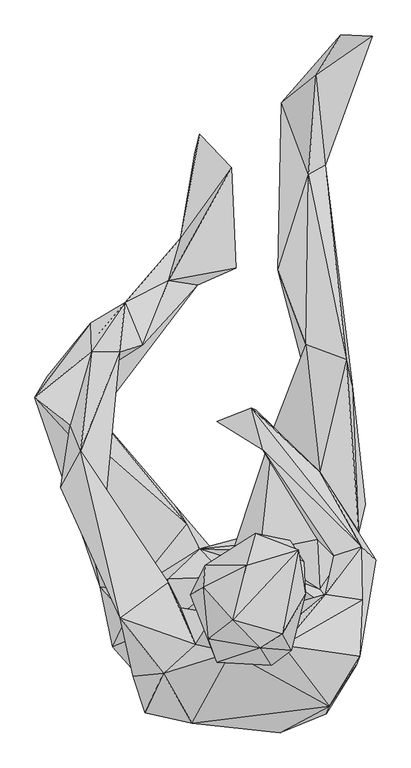
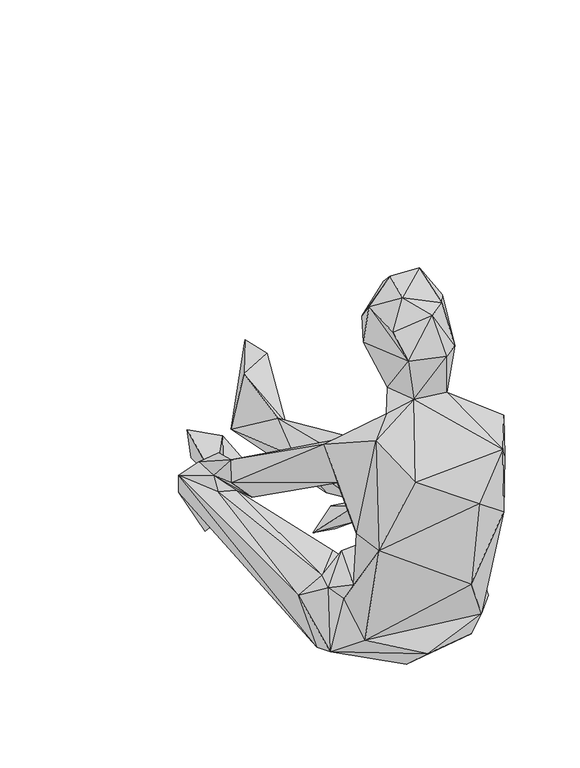
"""IFC4 building model written with IfcOpenShell, lengths in millimetres: geographic element geometry."""

from ifc_helpers import new_model, si_unit, origin, place, context, project, spatial, faceted_brep, source, transform, mapped, element, save


def geographic_element_869bbaf2(model_context):
    return source(origin(), model_context, "Body", "Brep", [
        faceted_brep([(-154.6437125, -409.3822786, 114.1797514), (55.265575, -485.894823, 228.0481877), (-151.2773763, -461.482698, 370.2856555), (-161.8588398, -334.8176438, 175.8356371), (-170.8817461, -401.0980974, 384.149338), (-142.3265469, -340.9436601, 208.4057901), (-121.255739, -396.8678962, 598.4549448), (69.4285623, -493.7475859, 431.2358445), (-74.1772493, -478.4514845, 526.2276465), (-204.8963432, -352.9875831, 68.1773267), (-180.6984372, -302.9741905, 190.6772977), (-195.8724236, -282.7432121, 33.5631441), (-45.1075429, -391.5626656, 4.7136549), (-16.8736612, -431.2358445, 44.9213604), (-224.8310121, -254.5443742, 157.7047388), (-113.9965714, -241.5455103, 224.292499), (-172.0629164, -261.4051369, 193.9064836), (-274.1247084, -8.4453401, 287.3227263), (-332.2921354, 55.4307394, 311.4635608), (-83.5545127, -151.7148148, 159.626631), (-235.882935, -18.2540265, 283.7081516), (-61.8350647, -192.3389262, 145.3275067), (-17.9297046, -238.7767852, 227.1042587), (-48.3537459, -297.4337303, 358.7532893), (55.0023162, -292.7931511, 340.9146624), (135.5068071, -325.6015141, 174.824638), (71.6777808, -234.4835521, 240.7407433), (-13.6154441, -302.4606667, 553.514593), (-92.8466905, -289.0524232, 447.926337), (-192.2338283, -305.5707477, 559.1141512), (-177.7285166, -335.2190215, 475.2733351), (-113.7593374, -247.7666556, 511.5481552), (-69.0301723, -348.8044398, 619.698934), (-254.2851238, -114.7973598, 331.1520178), (-289.9723315, -91.5714267, 365.9984424), (-256.8326263, -31.9675687, 376.548822), (-215.7540593, -103.1338411, 351.3709859), (-46.4508714, -314.1742608, 656.7885795), (-10.9277906, -362.1336177, 643.3722893), (-33.562142, -379.0352894, 757.26079), (-43.1315894, -268.445101, 715.3744013), (-76.7317703, -268.1718137, 753.1236913), (-5.2832173, -218.2905647, 656.7324915), (105.1348211, -265.9436133, 662.6203574), (76.2352859, -321.6826876, 549.6587685), (-52.8081463, -219.8090526, 782.8850649), (-56.0013012, -254.549381, 828.2859819), (29.2048395, -166.9728735, 808.8006873), (14.5293472, -219.6488949, 858.8541044), (76.579622, -192.9925954, 637.7608101), (85.6766094, -178.9196857, 702.1803769), (111.861466, -267.5782409, 806.8907757), (109.127766, -214.1254369, 756.4710285), (99.9457004, -194.4450265, 835.1547019), (-7.3412493, -309.1953359, 866.6198147), (74.1101792, -331.621464, 838.609089), (78.5145303, -320.3973731, 698.5988531), (88.7426276, -359.0345338, 741.3570789), (74.6437078, -350.9755985, 625.1463217), (37.9694956, -354.7193066, 834.6562282), (56.0183183, -383.5878027, 742.2880439), (-47.549955, -339.8035425, 811.784615), (151.0671806, -450.3907506, 513.6061843), (200.8022939, -369.0584554, 532.8171187), (194.9785328, -383.7199164, 442.1015625), (146.0352075, -463.3375349, 365.6921342), (123.9714235, -409.3742618, 82.738704), (176.9217082, -365.744169, 407.3012123), (227.1252842, -210.5479214, 206.7451601), (144.6138006, -267.0397129, 468.8880088), (157.9049359, -204.148588, 254.529324), (202.835304, -188.9215684, 261.1528901), (135.4057027, -66.177345, 172.9497888), (131.5018667, -177.3831673, 183.0918021), (41.4349171, -30.2658878, 154.4905584), (204.7491942, -276.3628926, 472.6117195), (22.9947061, 38.4279485, 119.9694708), (59.950202, 6.4003201, 86.164086), (-33.9144911, 16.0688681, 85.2872197), (30.1808041, 34.9745374, 60.7610002), (38.0575838, -196.0345929, 170.1530346), (112.4960841, 142.3195434, 149.091227), (-3.8508027, -186.4491082, 103.733434), (13.7405683, -171.9397881, 34.9905524), (112.5111044, 90.0669385, 71.3474518), (134.8191334, -258.7655155, 181.1398692), (110.7343496, -125.5649909, 9.5834638), (3.4614182, -246.0699945, 17.8526284), (-100.7224607, -123.7562134, 104.443139), (-108.0416875, -224.1333248, 7.3832911), (-263.1098298, 23.2459546, 185.323996), (-228.3074679, 25.2008863, 211.4638213), (-65.3134949, 240.1291251, 69.2163548), (-214.4167397, 103.6653729, 244.9869334), (-261.8906168, 67.978128, 137.4537332), (-312.1052048, 90.037911, 239.8478508), (-241.1301106, 177.5242962, 182.5412489), (-228.5496862, 159.6886943, 132.2876348), (-239.2872989, 130.8712347, 266.1618557), (-184.1118015, 211.1995641, 169.2271063), (-274.1247084, 10.4453143, 317.8478738), (-193.2148015, 130.3677394, 274.2598321), (-155.4394941, 141.3435769, 212.5338886), (-113.1847636, 247.7576702, 121.9123885), (-92.9798174, 317.2853252, 52.9773154), (-2.0490233, 267.7964535, 42.5610314), (-9.4733544, 432.625199, 68.5456908), (-69.7688973, 457.7049854, 18.7304968), (-62.2174397, 487.3682796, 69.7728983), (102.571285, -404.179121, 36.6301718), (149.177311, -269.180831, 16.5233163), (188.7323833, 75.3554096, 102.4631845), (209.3967919, -119.3448514, 94.1509742), (167.7506396, -360.7532337, 84.9679102), (159.2873017, -330.7636339, 154.4805448), (199.044553, -164.3052528, 137.8721429), (169.2831644, -304.0882907, 207.5309281), (178.3551254, 117.654188, 174.2931136), (66.7108811, 264.5782796, 91.1049608), (116.441986, 421.3340826, 75.9429922), (143.915115, 436.4419824, 46.5179378), (129.0013923, 583.8115143, 85.7636918), (72.0501459, 538.8871365, -7.2321421), (113.7583391, 215.5518505, 13.4362679), (121.6170996, 536.6699629, 5.4603917), (221.6528776, 648.2131401, 65.3685472), (169.8407212, 650.0399032, 116.9775188)], [[[0, 1, 2]], [[2, 3, 0]], [[4, 5, 2]], [[6, 4, 2]], [[1, 7, 2]], [[8, 6, 2]], [[8, 2, 7]], [[3, 2, 5]], [[3, 9, 0]], [[9, 3, 10]], [[10, 3, 5]], [[9, 11, 12]], [[13, 0, 9]], [[12, 13, 9]], [[9, 10, 14]], [[14, 11, 9]], [[5, 15, 10]], [[16, 10, 15]], [[16, 14, 10]], [[16, 17, 14]], [[14, 18, 11]], [[18, 14, 17]], [[19, 20, 16]], [[17, 16, 20]], [[15, 21, 16]], [[21, 19, 16]], [[15, 22, 21]], [[22, 15, 5]], [[22, 5, 23]], [[24, 25, 22]], [[22, 23, 24]], [[22, 25, 26]], [[22, 26, 21]], [[5, 4, 23]], [[24, 23, 27]], [[23, 28, 27]], [[4, 28, 23]], [[29, 4, 6]], [[29, 30, 4]], [[28, 4, 30]], [[28, 30, 31]], [[32, 27, 28]], [[28, 31, 32]], [[31, 30, 33]], [[30, 34, 33]], [[29, 34, 30]], [[31, 35, 29]], [[36, 35, 31]], [[31, 29, 32]], [[33, 36, 31]], [[32, 29, 6]], [[35, 34, 29]], [[32, 37, 27]], [[32, 38, 37]], [[38, 32, 6]], [[37, 38, 39]], [[40, 27, 37]], [[41, 37, 39]], [[41, 40, 37]], [[27, 42, 43]], [[40, 42, 27]], [[44, 24, 27]], [[27, 43, 44]], [[45, 42, 40]], [[45, 40, 41]], [[46, 41, 39]], [[46, 45, 41]], [[47, 42, 45]], [[46, 48, 45]], [[47, 45, 48]], [[43, 42, 49]], [[47, 49, 42]], [[50, 43, 49]], [[47, 50, 49]], [[47, 51, 52]], [[47, 53, 51]], [[53, 47, 48]], [[47, 52, 50]], [[54, 53, 48]], [[46, 54, 48]], [[54, 55, 53]], [[55, 51, 53]], [[52, 51, 56]], [[56, 51, 57]], [[57, 51, 55]], [[56, 43, 52]], [[43, 50, 52]], [[56, 58, 43]], [[56, 57, 58]], [[55, 59, 57]], [[60, 57, 59]], [[57, 60, 58]], [[54, 59, 55]], [[54, 61, 59]], [[46, 61, 54]], [[59, 39, 60]], [[39, 59, 61]], [[38, 58, 60]], [[38, 60, 39]], [[46, 39, 61]], [[38, 62, 58]], [[38, 8, 62]], [[6, 8, 38]], [[8, 7, 62]], [[63, 58, 62]], [[62, 64, 63]], [[62, 7, 65]], [[65, 64, 62]], [[1, 65, 7]], [[66, 25, 65]], [[67, 65, 25]], [[1, 66, 65]], [[64, 65, 67]], [[68, 63, 64]], [[64, 67, 68]], [[24, 69, 67]], [[24, 67, 25]], [[67, 69, 70]], [[70, 68, 67]], [[68, 71, 63]], [[68, 72, 71]], [[70, 73, 68]], [[73, 72, 68]], [[73, 70, 74]], [[70, 69, 71]], [[71, 74, 70]], [[71, 75, 63]], [[72, 76, 71]], [[76, 74, 71]], [[69, 75, 71]], [[74, 77, 73]], [[77, 74, 78]], [[74, 76, 78]], [[77, 76, 72]], [[79, 78, 76]], [[79, 76, 77]], [[77, 78, 79]], [[73, 77, 80]], [[81, 77, 72]], [[82, 77, 83]], [[77, 81, 84]], [[77, 84, 83]], [[82, 80, 77]], [[73, 80, 85]], [[21, 85, 80]], [[21, 80, 82]], [[21, 82, 83]], [[84, 86, 83]], [[21, 83, 87]], [[86, 87, 83]], [[26, 85, 21]], [[87, 88, 21]], [[21, 88, 19]], [[87, 12, 89]], [[12, 87, 86]], [[87, 89, 88]], [[88, 89, 90]], [[91, 19, 88]], [[88, 90, 91]], [[91, 20, 19]], [[91, 92, 93]], [[93, 20, 91]], [[92, 91, 94]], [[90, 94, 91]], [[11, 95, 90]], [[94, 90, 95]], [[90, 89, 11]], [[89, 12, 11]], [[18, 95, 11]], [[94, 95, 96]], [[18, 96, 95]], [[94, 97, 92]], [[96, 97, 94]], [[98, 99, 96]], [[96, 99, 97]], [[98, 96, 18]], [[18, 100, 98]], [[17, 100, 18]], [[98, 100, 35]], [[98, 101, 99]], [[35, 101, 98]], [[34, 100, 33]], [[35, 100, 34]], [[20, 33, 100]], [[100, 17, 20]], [[36, 101, 35]], [[93, 101, 36]], [[101, 102, 99]], [[102, 101, 93]], [[36, 20, 93]], [[36, 33, 20]], [[93, 92, 102]], [[103, 102, 92]], [[102, 103, 99]], [[92, 97, 104]], [[105, 92, 104]], [[92, 105, 103]], [[106, 103, 105]], [[106, 104, 103]], [[103, 104, 99]], [[97, 99, 104]], [[104, 107, 105]], [[108, 104, 106]], [[108, 107, 104]], [[106, 105, 107]], [[107, 108, 106]], [[109, 12, 86]], [[12, 109, 13]], [[109, 86, 110]], [[86, 84, 111]], [[111, 112, 86]], [[86, 112, 110]], [[13, 109, 66]], [[113, 66, 109]], [[109, 110, 113]], [[13, 66, 0]], [[25, 66, 114]], [[0, 66, 1]], [[66, 113, 114]], [[115, 114, 113]], [[115, 113, 110]], [[115, 85, 114]], [[25, 114, 85]], [[25, 116, 26]], [[116, 25, 85]], [[85, 115, 73]], [[85, 26, 116]], [[73, 115, 72]], [[117, 81, 72]], [[117, 72, 115]], [[81, 118, 84]], [[119, 81, 117]], [[81, 119, 118]], [[120, 119, 117]], [[120, 117, 111]], [[117, 115, 111]], [[120, 121, 119]], [[119, 121, 122]], [[118, 119, 122]], [[118, 122, 123]], [[118, 123, 84]], [[84, 123, 111]], [[123, 124, 111]], [[111, 115, 112]], [[111, 124, 120]], [[121, 120, 125]], [[120, 124, 125]], [[121, 126, 122]], [[125, 126, 121]], [[126, 125, 122]], [[124, 122, 125]], [[122, 124, 123]], [[112, 115, 110]], [[69, 44, 58]], [[44, 69, 24]], [[58, 75, 69]], [[63, 75, 58]], [[43, 58, 44]]]),
    ])


if __name__ == "__main__":
    model = new_model("IFC4")
    model_context = context("Model", 3, world=origin())
    ifc_project = project(units=[si_unit("LENGTHUNIT", "METRE", prefix="MILLI")], contexts=[model_context])
    site = spatial("IfcSite", under=ifc_project)
    building = spatial("IfcBuilding", under=site)
    placement = place(None, origin())
    geographic_element_shape = geographic_element_869bbaf2(model_context)
    element("IfcGeographicElement", 1, at=placement, inside=building, context=model_context, shape_type="MappedRepresentation", body=[
        mapped(geographic_element_shape, transform((0.0, 0.0, 0.0), x_axis=(1.0, 0.0, 0.0), y_axis=(0.0, 1.0, 0.0), z_axis=(0.0, 0.0, 1.0))),
    ])
    save(model, "model.ifc")
